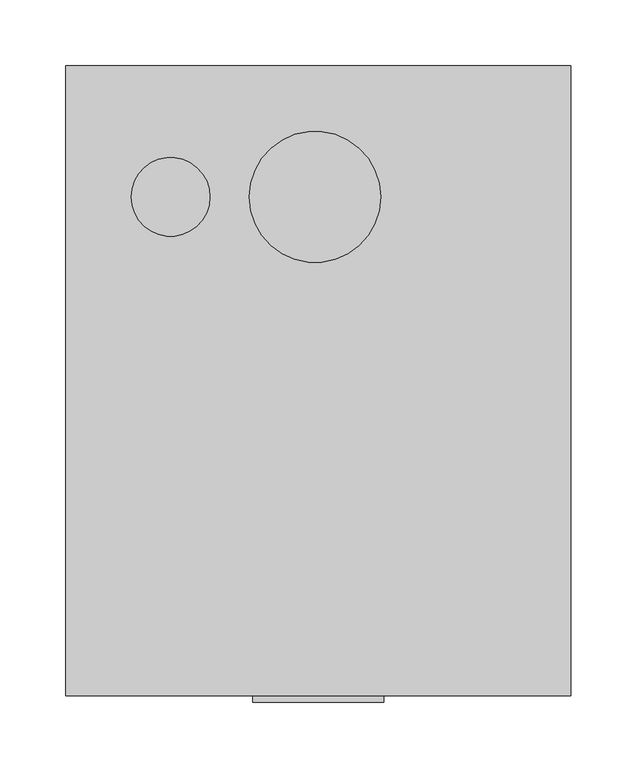
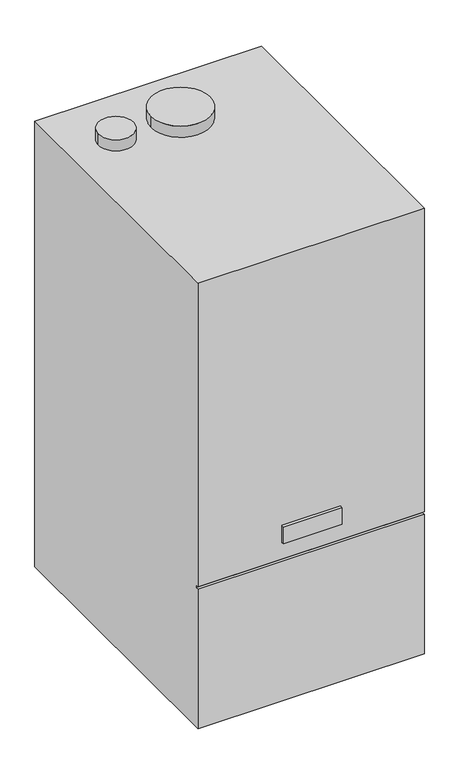
"""IFC4 building model written with IfcOpenShell, lengths in millimetres: proxy geometry."""

from ifc_helpers import new_model, si_unit, point, frame, frame_2d, origin, place, context, project, spatial, polyline, circle_curve, trimmed, segment, composite_curve, outline, extrude, source, transform, mapped, element, save


def mechanical_equipment_124f4579(model_context):
    return source(origin(), model_context, "Body", "SweptSolid", [
        extrude(outline(composite_curve([segment(trimmed(circle_curve(frame_2d((125.0, 128.3333333)), 7.5), [point((125.0, 120.8333333))], [point((125.0, 135.8333333))], False, "CARTESIAN"), True, "CONTINUOUS"), segment(trimmed(circle_curve(frame_2d((125.0, 128.3333333)), 7.5), [point((125.0, 135.8333333))], [point((125.0, 120.8333333))], False, "CARTESIAN"), True, "CONTINUOUS")], self_intersect=False)), frame((0.0, -2.0, 0.0), z_axis=(0.0, 1.0, 0.0), x_axis=(0.0, 0.0, 1.0)), (0.0, 0.0, 1.0), 2.0),
        extrude(outline(composite_curve([segment(trimmed(circle_curve(frame_2d((-64.1666667, -50.0)), 10.0), [point((-74.1666667, -50.0))], [point((-54.1666667, -50.0))], False, "CARTESIAN"), True, "CONTINUOUS"), segment(trimmed(circle_curve(frame_2d((-64.1666667, -50.0)), 10.0), [point((-54.1666667, -50.0))], [point((-74.1666667, -50.0))], False, "CARTESIAN"), True, "CONTINUOUS")], self_intersect=False)), frame((0.0, 0.0, -5.0), z_axis=(0.0, 0.0, 1.0), x_axis=(1.0, 0.0, 0.0)), (0.0, 0.0, 1.0), 5.0),
        extrude(outline(composite_curve([segment(trimmed(circle_curve(frame_2d((0.0, -50.0)), 7.5), [point((-7.5, -50.0))], [point((7.5, -50.0))], False, "CARTESIAN"), True, "CONTINUOUS"), segment(trimmed(circle_curve(frame_2d((0.0, -50.0)), 7.5), [point((7.5, -50.0))], [point((-7.5, -50.0))], False, "CARTESIAN"), True, "CONTINUOUS")], self_intersect=False)), frame((0.0, 0.0, -5.0), z_axis=(0.0, 0.0, 1.0), x_axis=(1.0, 0.0, 0.0)), (0.0, 0.0, 1.0), 5.0),
        extrude(outline(composite_curve([segment(trimmed(circle_curve(frame_2d((64.1666667, -50.0)), 10.0), [point((54.1666667, -50.0))], [point((74.1666667, -50.0))], False, "CARTESIAN"), True, "CONTINUOUS"), segment(trimmed(circle_curve(frame_2d((64.1666667, -50.0)), 10.0), [point((74.1666667, -50.0))], [point((54.1666667, -50.0))], False, "CARTESIAN"), True, "CONTINUOUS")], self_intersect=False)), frame((0.0, 0.0, -5.0), z_axis=(0.0, 0.0, 1.0), x_axis=(1.0, 0.0, 0.0)), (0.0, 0.0, 1.0), 5.0),
        extrude(outline(composite_curve([segment(trimmed(circle_curve(frame_2d((-128.3333333, -50.0)), 10.0), [point((-138.3333333, -50.0))], [point((-118.3333333, -50.0))], False, "CARTESIAN"), True, "CONTINUOUS"), segment(trimmed(circle_curve(frame_2d((-128.3333333, -50.0)), 10.0), [point((-118.3333333, -50.0))], [point((-138.3333333, -50.0))], False, "CARTESIAN"), True, "CONTINUOUS")], self_intersect=False)), frame((0.0, 0.0, -5.0), z_axis=(0.0, 0.0, 1.0), x_axis=(1.0, 0.0, 0.0)), (0.0, 0.0, 1.0), 5.0),
        extrude(outline(composite_curve([segment(trimmed(circle_curve(frame_2d((128.3333333, -50.0)), 10.0), [point((118.3333333, -50.0))], [point((138.3333333, -50.0))], False, "CARTESIAN"), True, "CONTINUOUS"), segment(trimmed(circle_curve(frame_2d((128.3333333, -50.0)), 10.0), [point((138.3333333, -50.0))], [point((118.3333333, -50.0))], False, "CARTESIAN"), True, "CONTINUOUS")], self_intersect=False)), frame((0.0, 0.0, -5.0), z_axis=(0.0, 0.0, 1.0), x_axis=(1.0, 0.0, 0.0)), (0.0, 0.0, 1.0), 5.0),
        extrude(outline(composite_curve([segment(trimmed(circle_curve(frame_2d((-112.5, -100.0)), 30.0), [point((-142.5, -100.0))], [point((-82.5, -100.0))], False, "CARTESIAN"), True, "CONTINUOUS"), segment(trimmed(circle_curve(frame_2d((-112.5, -100.0)), 30.0), [point((-82.5, -100.0))], [point((-142.5, -100.0))], False, "CARTESIAN"), True, "CONTINUOUS")], self_intersect=False)), frame((0.0, 0.0, 800.0), z_axis=(0.0, 0.0, 1.0), x_axis=(1.0, 0.0, 0.0)), (0.0, 0.0, 1.0), 20.0),
        extrude(outline(composite_curve([segment(trimmed(circle_curve(frame_2d((-2.5, -100.0)), 50.0), [point((-52.5, -100.0))], [point((47.5, -100.0))], False, "CARTESIAN"), True, "CONTINUOUS"), segment(trimmed(circle_curve(frame_2d((-2.5, -100.0)), 50.0), [point((47.5, -100.0))], [point((-52.5, -100.0))], False, "CARTESIAN"), True, "CONTINUOUS")], self_intersect=False)), frame((0.0, 0.0, 800.0), z_axis=(0.0, 0.0, 1.0), x_axis=(1.0, 0.0, 0.0)), (0.0, 0.0, 1.0), 20.0),
        extrude(outline(polyline([(50.0, -485.0), (-50.0, -485.0), (-50.0, -480.0), (50.0, -480.0), (50.0, -485.0)])), frame((0.0, 0.0, 285.0), z_axis=(0.0, 0.0, 1.0), x_axis=(1.0, 0.0, 0.0)), (0.0, 0.0, 1.0), 30.0),
        extrude(outline(polyline([(0.0, 800.0), (0.0, 0.0), (-480.0, 0.0), (-480.0, 250.0), (-475.0, 250.0), (-475.0, 255.0), (-480.0, 255.0), (-480.0, 800.0), (0.0, 800.0)])), frame((-192.5, 0.0, 0.0), z_axis=(1.0, 0.0, 0.0), x_axis=(0.0, 1.0, 0.0)), (0.0, 0.0, 1.0), 385.0),
    ])


if __name__ == "__main__":
    model = new_model("IFC4")
    model_context = context("Model", 3, world=origin())
    ifc_project = project(units=[si_unit("LENGTHUNIT", "METRE", prefix="MILLI")], contexts=[model_context])
    site = spatial("IfcSite", under=ifc_project)
    building = spatial("IfcBuilding", under=site)
    placement = place(None, origin())
    mechanical_equipment_shape = mechanical_equipment_124f4579(model_context)
    element("IfcBuildingElementProxy", 1, Name="Mechanical Equipment", at=placement, inside=building, context=model_context, shape_type="MappedRepresentation", body=[
        mapped(mechanical_equipment_shape, transform((0.0, 0.0, 0.0), x_axis=(1.0, 0.0, 0.0), y_axis=(0.0, 1.0, 0.0), z_axis=(0.0, 0.0, 1.0))),
    ])
    save(model, "model.ifc")
